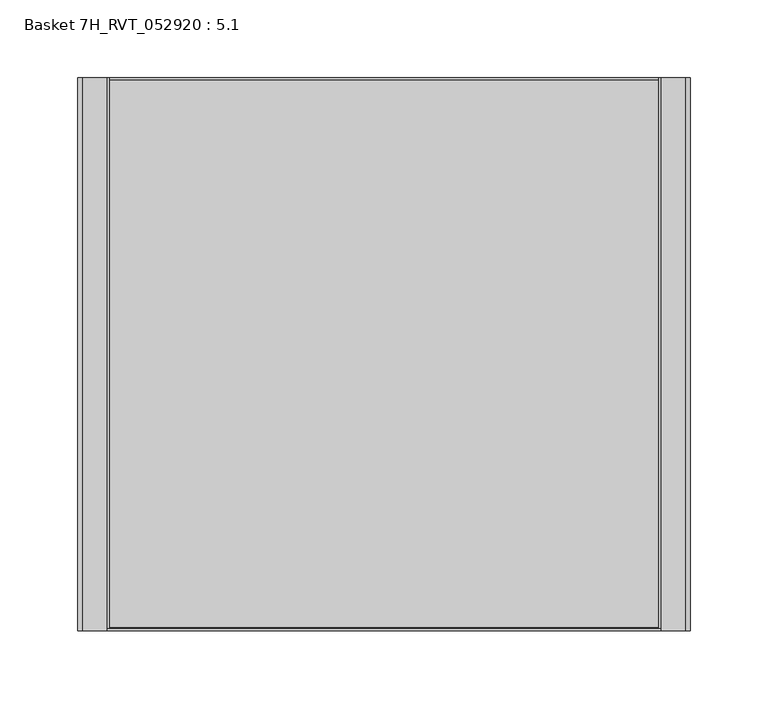
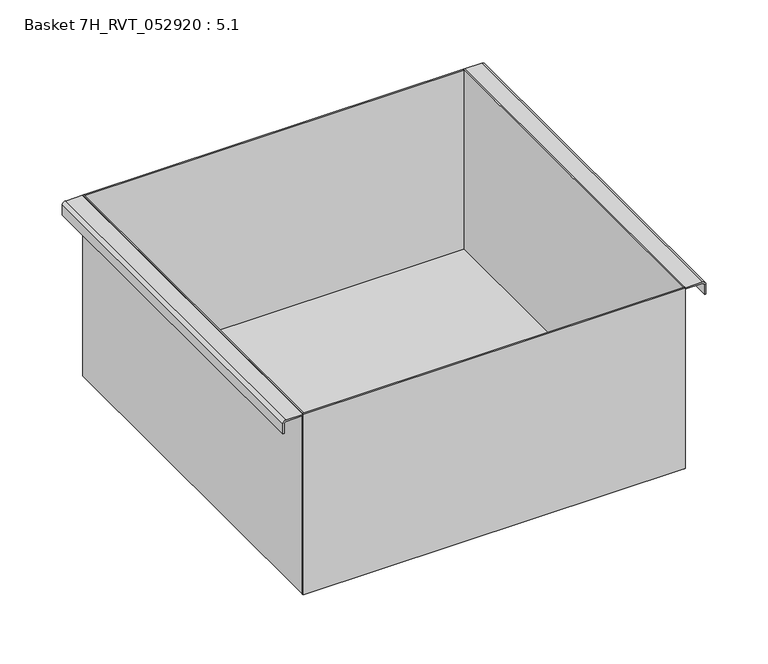
"""IFC4 building model written with IfcOpenShell, lengths in millimetres: furniture geometry, Basket 7H_RVT_052920 : 5.1."""

from ifc_helpers import new_model, si_unit, point, frame, frame_2d, origin, origin_with_axes, place, context, project, spatial, polyline, circle_curve, trimmed, segment, composite_curve, outline, extrude, source, transform, mapped, element, save


def basket_7h_rvt_052920_5_1_d8414a9b(model_context):
    return source(origin(), model_context, "Body", "SweptSolid", [
        extrude(outline(polyline([(-177.8, -354.3101563), (177.8, -354.3101563), (177.8, -355.6), (-177.8, -355.6), (-177.8, -354.3101563)])), origin_with_axes(), (0.0, 0.0, 1.0), 177.8),
        extrude(outline(polyline([(176.5101563, 0.0), (176.5101563, -353.0401562), (-176.5101562, -353.0401562), (-176.5101562, 0.0), (176.5101563, 0.0)])), origin_with_axes(), (0.0, 0.0, 1.0), 1.27),
        extrude(outline(polyline([(176.5101563, -355.6), (176.5101563, 0.0), (177.8, 0.0), (177.8, -355.6), (176.5101563, -355.6)])), origin_with_axes(), (0.0, 0.0, 1.0), 177.8),
        extrude(outline(polyline([(-176.5101562, 0.0), (-176.5101562, -355.6), (-177.8, -355.6), (-177.8, 0.0), (-176.5101562, 0.0)])), origin_with_axes(), (0.0, 0.0, 1.0), 177.8),
        extrude(outline(composite_curve([segment(trimmed(circle_curve(frame_2d((174.5814173, -193.6314173)), 3.2185827), [point((177.8, -193.6314173))], [point((174.5814173, -196.85))], False, "CARTESIAN"), True, "CONTINUOUS"), segment(polyline([(174.5814173, -196.85), (165.1, -196.85), (165.1, -195.5601562), (174.5814173, -195.5601562)]), True, "CONTINUOUS"), segment(trimmed(circle_curve(frame_2d((174.5814173, -193.6314173)), 1.9287389), [point((174.5814173, -195.5601562))], [point((176.5101563, -193.6314173))], True, "CARTESIAN"), True, "CONTINUOUS"), segment(polyline([(176.5101563, -193.6314173), (176.5101563, -177.8), (177.8, -177.8), (177.8, -193.6314173)]), True, "CONTINUOUS")], self_intersect=False)), frame((0.0, -355.6, 0.0), z_axis=(0.0, 1.0, 0.0), x_axis=(0.0, 0.0, 1.0)), (0.0, 0.0, 1.0), 355.6),
        extrude(outline(composite_curve([segment(polyline([(177.8, 193.6314173), (177.8, 177.8), (176.5101562, 177.8), (176.5101563, 193.6314173)]), True, "CONTINUOUS"), segment(trimmed(circle_curve(frame_2d((174.5814173, 193.6314173)), 1.9287389), [point((176.5101563, 193.6314173))], [point((174.5814173, 195.5601563))], True, "CARTESIAN"), True, "CONTINUOUS"), segment(polyline([(174.5814173, 195.5601563), (165.1, 195.5601562), (165.1, 196.85), (174.5814173, 196.85)]), True, "CONTINUOUS"), segment(trimmed(circle_curve(frame_2d((174.5814173, 193.6314173)), 3.2185827), [point((174.5814173, 196.85))], [point((177.8, 193.6314173))], False, "CARTESIAN"), True, "CONTINUOUS")], self_intersect=False)), frame((0.0, -355.6, 0.0), z_axis=(0.0, 1.0, 0.0), x_axis=(0.0, 0.0, 1.0)), (0.0, 0.0, 1.0), 355.6),
        extrude(outline(polyline([(177.8, -1.27), (-177.8, -1.27), (-177.8, 0.0), (177.8, 0.0), (177.8, -1.27)])), origin_with_axes(), (0.0, 0.0, 1.0), 177.8),
    ])


if __name__ == "__main__":
    model = new_model("IFC4")
    model_context = context("Model", 3, world=origin())
    ifc_project = project(units=[si_unit("LENGTHUNIT", "METRE", prefix="MILLI")], contexts=[model_context])
    site = spatial("IfcSite", under=ifc_project)
    building = spatial("IfcBuilding", under=site)
    placement = place(None, origin())
    basket_7h_rvt_052920_5_1_shape = basket_7h_rvt_052920_5_1_d8414a9b(model_context)
    element("IfcFurniture", 1, ObjectType="Basket 7H_RVT_052920 : 5.1", at=placement, inside=building, context=model_context, shape_type="MappedRepresentation", body=[
        mapped(basket_7h_rvt_052920_5_1_shape, transform((0.0, 0.0, 0.0), x_axis=(1.0, 0.0, 0.0), y_axis=(0.0, 1.0, 0.0), z_axis=(0.0, 0.0, 1.0))),
    ])
    save(model, "model.ifc")
